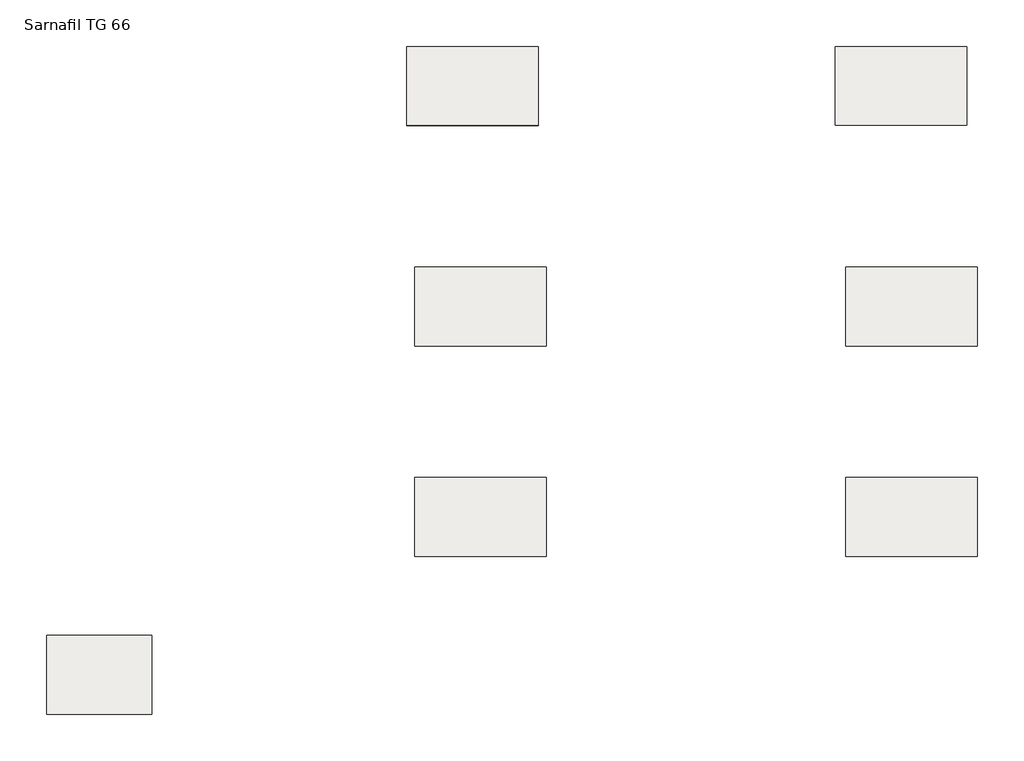
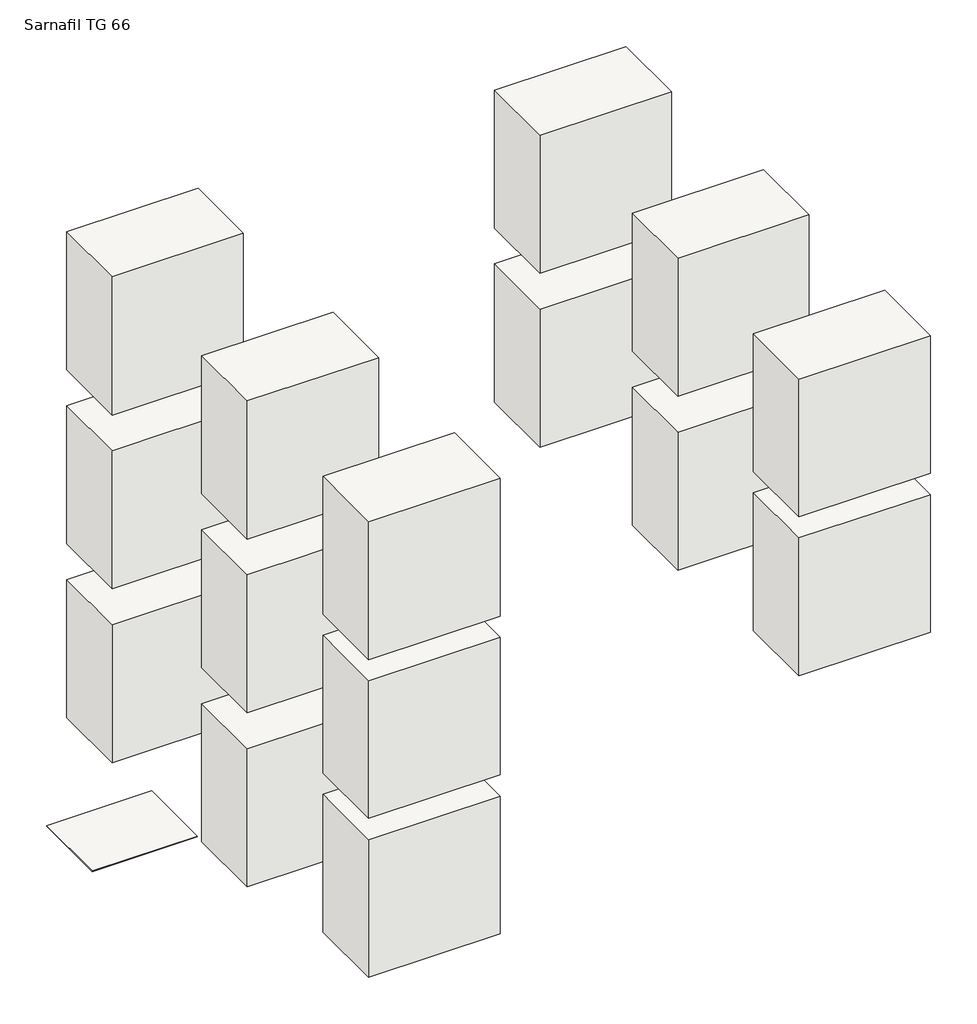
# One storey: 16 roofs.
"""IFC4 building model written with IfcOpenShell, lengths in millimetres."""

from ifc_helpers import new_model, si_unit, frame, origin, origin_with_axes, place, context, project, spatial, polyline, outline, extrude, element, save

model = new_model("IFC4")

# Units and contexts
model_context = context("Model", 3, world=origin())
ifc_project = project(units=[si_unit("LENGTHUNIT", "METRE", prefix="MILLI")], contexts=[model_context])

# Site, building, storey
site = spatial("IfcSite", under=ifc_project)
building = spatial("IfcBuilding", under=site)
storey = spatial("IfcBuildingStorey", under=building, Name="Sarnafil TG 66", Elevation=0.0)

# Roofs
placement = place(None, origin())
element("IfcRoof", 1, at=placement, inside=storey, context=model_context, shape_type="SweptSolid", body=[
    extrude(outline(polyline([(-15741.1180728, 17551.0380139), (-15491.1180728, 17551.0380139), (-15491.1180728, 17401.0380139), (-15741.1180728, 17401.0380139), (-15741.1180728, 17551.0380139)])), frame((0.0, 0.0, -640.0), z_axis=(0.0, 0.0, 1.0), x_axis=(1.0, 0.0, 0.0)), (0.0, 0.0, 1.0), 277.5),
])
element("IfcRoof", 2, at=placement, inside=storey, context=model_context, shape_type="SweptSolid", body=[
    extrude(outline(polyline([(-14921.1180728, 17551.0380139), (-14671.1180728, 17551.0380139), (-14671.1180728, 17401.0380139), (-14921.1180728, 17401.0380139), (-14921.1180728, 17551.0380139)])), origin_with_axes(), (0.0, 0.0, 1.0), 277.5),
])
element("IfcRoof", 3, at=placement, inside=storey, context=model_context, shape_type="SweptSolid", body=[
    extrude(outline(polyline([(-14921.1180728, 17551.0380139), (-14671.1180728, 17551.0380139), (-14671.1180728, 17401.0380139), (-14921.1180728, 17401.0380139), (-14921.1180728, 17551.0380139)])), frame((0.0, 0.0, -320.0), z_axis=(0.0, 0.0, 1.0), x_axis=(1.0, 0.0, 0.0)), (0.0, 0.0, 1.0), 277.5),
])
element("IfcRoof", 4, at=placement, inside=storey, context=model_context, shape_type="SweptSolid", body=[
    extrude(outline(polyline([(-15741.1180728, 17551.0380139), (-15491.1180728, 17551.0380139), (-15491.1180728, 17401.0380139), (-15741.1180728, 17401.0380139), (-15741.1180728, 17551.0380139)])), origin_with_axes(), (0.0, 0.0, 1.0), 277.5),
])
element("IfcRoof", 5, at=placement, inside=storey, context=model_context, shape_type="SweptSolid", body=[
    extrude(outline(polyline([(-15741.1180728, 17551.0380139), (-15491.1180728, 17551.0380139), (-15491.1180728, 17401.0380139), (-15741.1180728, 17401.0380139), (-15741.1180728, 17551.0380139)])), frame((0.0, 0.0, -320.0), z_axis=(0.0, 0.0, 1.0), x_axis=(1.0, 0.0, 0.0)), (0.0, 0.0, 1.0), 277.5),
])
element("IfcRoof", 6, at=placement, inside=storey, context=model_context, shape_type="SweptSolid", body=[
    extrude(outline(polyline([(-15741.1180728, 17951.0380139), (-15491.1180728, 17951.0380139), (-15491.1180728, 17801.0380139), (-15741.1180728, 17801.0380139), (-15741.1180728, 17951.0380139)])), frame((0.0, 0.0, -700.0), z_axis=(0.0, 0.0, 1.0), x_axis=(1.0, 0.0, 0.0)), (0.0, 0.0, 1.0), 277.8),
])
element("IfcRoof", 7, at=placement, inside=storey, context=model_context, shape_type="SweptSolid", body=[
    extrude(outline(polyline([(-14921.1180728, 17951.0380139), (-14671.1180728, 17951.0380139), (-14671.1180728, 17801.0380139), (-14921.1180728, 17801.0380139), (-14921.1180728, 17951.0380139)])), origin_with_axes(), (0.0, 0.0, 1.0), 277.8),
])
element("IfcRoof", 8, at=placement, inside=storey, context=model_context, shape_type="SweptSolid", body=[
    extrude(outline(polyline([(-14921.1180728, 17951.0380139), (-14671.1180728, 17951.0380139), (-14671.1180728, 17801.0380139), (-14921.1180728, 17801.0380139), (-14921.1180728, 17951.0380139)])), frame((0.0, 0.0, -350.0), z_axis=(0.0, 0.0, 1.0), x_axis=(1.0, 0.0, 0.0)), (0.0, 0.0, 1.0), 277.8),
])
element("IfcRoof", 9, at=placement, inside=storey, context=model_context, shape_type="SweptSolid", body=[
    extrude(outline(polyline([(-15741.1180728, 17951.0380139), (-15491.1180728, 17951.0380139), (-15491.1180728, 17801.0380139), (-15741.1180728, 17801.0380139), (-15741.1180728, 17951.0380139)])), origin_with_axes(), (0.0, 0.0, 1.0), 277.8),
])
element("IfcRoof", 10, at=placement, inside=storey, context=model_context, shape_type="SweptSolid", body=[
    extrude(outline(polyline([(-15741.1180728, 17951.0380139), (-15491.1180728, 17951.0380139), (-15491.1180728, 17801.0380139), (-15741.1180728, 17801.0380139), (-15741.1180728, 17951.0380139)])), frame((0.0, 0.0, -350.0), z_axis=(0.0, 0.0, 1.0), x_axis=(1.0, 0.0, 0.0)), (0.0, 0.0, 1.0), 277.8),
])
element("IfcRoof", 11, at=placement, inside=storey, context=model_context, shape_type="SweptSolid", body=[
    extrude(outline(polyline([(-15756.1180728, 18371.0380139), (-15506.1180728, 18371.0380139), (-15506.1180728, 18221.0380139), (-15756.1180728, 18221.0380139), (-15756.1180728, 18371.0380139)])), frame((0.0, 0.0, -700.0), z_axis=(0.0, 0.0, 1.0), x_axis=(1.0, 0.0, 0.0)), (0.0, 0.0, 1.0), 278.0),
])
element("IfcRoof", 12, at=placement, inside=storey, context=model_context, shape_type="SweptSolid", body=[
    extrude(outline(polyline([(-14941.1180728, 18371.0380139), (-14691.1180728, 18371.0380139), (-14691.1180728, 18221.0380139), (-14941.1180728, 18221.0380139), (-14941.1180728, 18371.0380139)])), origin_with_axes(), (0.0, 0.0, 1.0), 278.0),
])
element("IfcRoof", 13, at=placement, inside=storey, context=model_context, shape_type="SweptSolid", body=[
    extrude(outline(polyline([(-14941.1180728, 18371.0380139), (-14691.1180728, 18371.0380139), (-14691.1180728, 18221.0380139), (-14941.1180728, 18221.0380139), (-14941.1180728, 18371.0380139)])), frame((0.0, 0.0, -350.0), z_axis=(0.0, 0.0, 1.0), x_axis=(1.0, 0.0, 0.0)), (0.0, 0.0, 1.0), 278.0),
])
element("IfcRoof", 14, at=placement, inside=storey, context=model_context, shape_type="SweptSolid", body=[
    extrude(outline(polyline([(-15756.1180728, 18371.0380139), (-15506.1180728, 18371.0380139), (-15506.1180728, 18221.0380139), (-15756.1180728, 18221.0380139), (-15756.1180728, 18371.0380139)])), origin_with_axes(), (0.0, 0.0, 1.0), 278.0),
])
element("IfcRoof", 15, at=placement, inside=storey, context=model_context, shape_type="SweptSolid", body=[
    extrude(outline(polyline([(-15756.1180728, 18371.0380139), (-15506.1180728, 18371.0380139), (-15506.1180728, 18221.0380139), (-15756.1180728, 18221.0380139), (-15756.1180728, 18371.0380139)])), frame((0.0, 0.0, -350.0), z_axis=(0.0, 0.0, 1.0), x_axis=(1.0, 0.0, 0.0)), (0.0, 0.0, 1.0), 278.0),
])
element("IfcRoof", 16, ObjectType="Sarnafil TG 66/Beige", at=placement, inside=storey, context=model_context, shape_type="SweptSolid", body=[
    extrude(outline(polyline([(-16441.1180728, 17251.0380139), (-16241.1180728, 17251.0380139), (-16241.1180728, 17101.0380139), (-16441.1180728, 17101.0380139), (-16441.1180728, 17251.0380139)])), origin_with_axes(), (0.0, 0.0, 1.0), 1.6),
])

save(model, "model.ifc")
